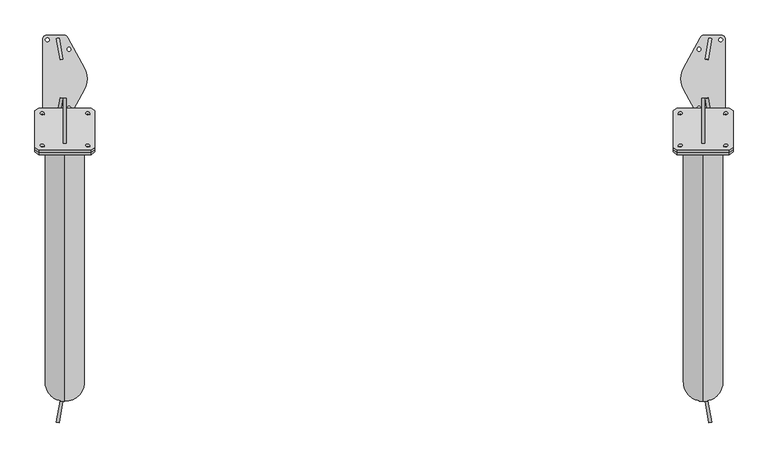
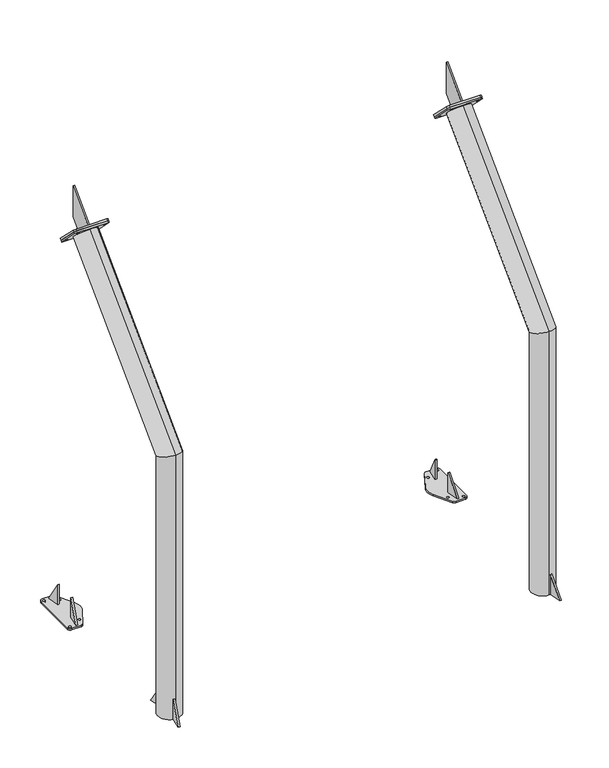
"""IFC4 building model written with IfcOpenShell, lengths in millimetres: proxy geometry."""

from ifc_helpers import new_model, si_unit, point, frame, frame_2d, origin, origin_with_axes, place, context, project, spatial, polyline, circle_curve, ellipse_curve, trimmed, segment, composite_curve, outline, extrude, source, transform, mapped, element, save
from ifc_brep_helpers import plane_surface, cylinder_surface, revolved_surface, advanced_brep


def generic_models_83a23b2b(model_context):
    return source(origin(), model_context, "Body", "SolidModel", [
        extrude(outline(composite_curve([segment(polyline([(2669.9864553, 182.5), (2738.0, 182.5)]), True, "CONTINUOUS"), segment(trimmed(circle_curve(frame_2d((2738.0, 162.5)), 20.0), [point((2738.0, 182.5))], [point((2758.0, 162.5))], False, "CARTESIAN"), True, "CONTINUOUS"), segment(polyline([(2758.0, 162.5), (2758.0, -162.5)]), True, "CONTINUOUS"), segment(trimmed(circle_curve(frame_2d((2738.0, -162.5)), 20.0), [point((2758.0, -162.5))], [point((2738.0, -182.5))], False, "CARTESIAN"), True, "CONTINUOUS"), segment(polyline([(2738.0, -182.5), (2669.9347584, -182.5)]), True, "CONTINUOUS"), segment(trimmed(circle_curve(frame_2d((2669.9347584, -162.5)), 20.0), [point((2669.9347584, -182.5))], [point((2652.3436055, -172.0158468))], False, "CARTESIAN"), True, "CONTINUOUS"), segment(polyline([(2652.3436055, -172.0158468), (2584.6472441, -46.8712248)]), True, "CONTINUOUS"), segment(trimmed(circle_curve(frame_2d((2665.0, -0.0477839)), 93.0), [point((2584.6472441, -46.8712248))], [point((2584.6472441, 46.775657))], False, "CARTESIAN"), True, "CONTINUOUS"), segment(polyline([(2584.6472441, 46.775657), (2652.3953024, 172.0158468)]), True, "CONTINUOUS"), segment(trimmed(circle_curve(frame_2d((2669.9864553, 162.5)), 20.0), [point((2652.3953024, 172.0158468))], [point((2669.9864553, 182.5))], False, "CARTESIAN"), True, "CONTINUOUS")], self_intersect=False), holes=[composite_curve([segment(trimmed(circle_curve(frame_2d((2738.0, 162.5)), 8.0), [point((2730.0, 162.5))], [point((2746.0, 162.5))], True, "CARTESIAN"), True, "CONTINUOUS"), segment(trimmed(circle_curve(frame_2d((2738.0, 162.5)), 8.0), [point((2746.0, 162.5))], [point((2730.0, 162.5))], True, "CARTESIAN"), True, "CONTINUOUS")], self_intersect=False), composite_curve([segment(trimmed(circle_curve(frame_2d((2738.0, -162.5)), 8.0), [point((2730.0, -162.5))], [point((2746.0, -162.5))], True, "CARTESIAN"), True, "CONTINUOUS"), segment(trimmed(circle_curve(frame_2d((2738.0, -162.5)), 8.0), [point((2746.0, -162.5))], [point((2730.0, -162.5))], True, "CARTESIAN"), True, "CONTINUOUS")], self_intersect=False), composite_curve([segment(trimmed(circle_curve(frame_2d((2648.0, 123.0)), 8.0), [point((2640.0, 123.0))], [point((2656.0, 123.0))], True, "CARTESIAN"), True, "CONTINUOUS"), segment(trimmed(circle_curve(frame_2d((2648.0, 123.0)), 8.0), [point((2656.0, 123.0))], [point((2640.0, 123.0))], True, "CARTESIAN"), True, "CONTINUOUS")], self_intersect=False), composite_curve([segment(trimmed(circle_curve(frame_2d((2648.0, -123.0)), 8.0), [point((2640.0, -123.0))], [point((2656.0, -123.0))], True, "CARTESIAN"), True, "CONTINUOUS"), segment(trimmed(circle_curve(frame_2d((2648.0, -123.0)), 8.0), [point((2656.0, -123.0))], [point((2640.0, -123.0))], True, "CARTESIAN"), True, "CONTINUOUS")], self_intersect=False)]), origin_with_axes(), (0.0, 0.0, 1.0), 12.0),
        extrude(outline(composite_curve([segment(trimmed(circle_curve(frame_2d((-4.9864553, 162.5)), 20.0), [point((-4.9864553, 182.5))], [point((12.6046976, 172.0158468))], False, "CARTESIAN"), True, "CONTINUOUS"), segment(polyline([(12.6046976, 172.0158468), (80.3527559, 46.775657)]), True, "CONTINUOUS"), segment(trimmed(circle_curve(frame_2d((0.0, -0.0477839)), 93.0), [point((80.3527559, 46.775657))], [point((80.3527559, -46.8712248))], False, "CARTESIAN"), True, "CONTINUOUS"), segment(polyline([(80.3527559, -46.8712248), (12.6563945, -172.0158468)]), True, "CONTINUOUS"), segment(trimmed(circle_curve(frame_2d((-4.9347584, -162.5)), 20.0), [point((12.6563945, -172.0158468))], [point((-4.9347584, -182.5))], False, "CARTESIAN"), True, "CONTINUOUS"), segment(polyline([(-4.9347584, -182.5), (-73.0, -182.5)]), True, "CONTINUOUS"), segment(trimmed(circle_curve(frame_2d((-73.0, -162.5)), 20.0), [point((-73.0, -182.5))], [point((-93.0, -162.5))], False, "CARTESIAN"), True, "CONTINUOUS"), segment(polyline([(-93.0, -162.5), (-93.0, 162.5)]), True, "CONTINUOUS"), segment(trimmed(circle_curve(frame_2d((-73.0, 162.5)), 20.0), [point((-93.0, 162.5))], [point((-73.0, 182.5))], False, "CARTESIAN"), True, "CONTINUOUS"), segment(polyline([(-73.0, 182.5), (-4.9864553, 182.5)]), True, "CONTINUOUS")], self_intersect=False), holes=[composite_curve([segment(trimmed(circle_curve(frame_2d((17.0, 123.0)), 8.0), [point((9.0, 123.0))], [point((25.0, 123.0))], True, "CARTESIAN"), True, "CONTINUOUS"), segment(trimmed(circle_curve(frame_2d((17.0, 123.0)), 8.0), [point((25.0, 123.0))], [point((9.0, 123.0))], True, "CARTESIAN"), True, "CONTINUOUS")], self_intersect=False), composite_curve([segment(trimmed(circle_curve(frame_2d((17.0, -123.0)), 8.0), [point((9.0, -123.0))], [point((25.0, -123.0))], True, "CARTESIAN"), True, "CONTINUOUS"), segment(trimmed(circle_curve(frame_2d((17.0, -123.0)), 8.0), [point((25.0, -123.0))], [point((9.0, -123.0))], True, "CARTESIAN"), True, "CONTINUOUS")], self_intersect=False), composite_curve([segment(trimmed(circle_curve(frame_2d((-73.0, -162.5)), 8.0), [point((-81.0, -162.5))], [point((-65.0, -162.5))], True, "CARTESIAN"), True, "CONTINUOUS"), segment(trimmed(circle_curve(frame_2d((-73.0, -162.5)), 8.0), [point((-65.0, -162.5))], [point((-81.0, -162.5))], True, "CARTESIAN"), True, "CONTINUOUS")], self_intersect=False), composite_curve([segment(trimmed(circle_curve(frame_2d((-73.0, 162.5)), 8.0), [point((-81.0, 162.5))], [point((-65.0, 162.5))], True, "CARTESIAN"), True, "CONTINUOUS"), segment(trimmed(circle_curve(frame_2d((-73.0, 162.5)), 8.0), [point((-65.0, 162.5))], [point((-81.0, 162.5))], True, "CARTESIAN"), True, "CONTINUOUS")], self_intersect=False)]), origin_with_axes(), (0.0, 0.0, 1.0), 12.0),
        advanced_brep(
        [(2673.4197559, 82.0692251, 162.0), (2685.236419, 79.9796058, 162.0), (2685.2910421, 80.2893885, 162.0), (2673.473349, 82.3731666, 162.0), (2700.9193781, 168.9220863, 12.0), (2685.236419, 79.9796058, 12.0), (2673.4197559, 82.0692251, 12.0), (2689.101685, 171.0058644, 12.0)],
        [
            (0, 1, circle_curve(frame((2665.0, 0.0, 162.0), z_axis=(0.0, 0.0, -1.0), x_axis=(-1.0, 0.0, 0.0)), 82.5)),
            (1, 2),
            (2, 3),
            (3, 0),
            (4, 5),
            (5, 6, circle_curve(frame((2665.0, 0.0, 12.0), z_axis=(0.0, 0.0, 1.0), x_axis=(-1.0, 0.0, 0.0)), 82.5)),
            (6, 7),
            (7, 4),
            (6, 0),
            (3, 7),
            (5, 1),
            (4, 2),
        ],
        [
            plane_surface(frame((2700.9193781, 168.9220863, 162.0), z_axis=(0.0, 0.0, 1.0000000000000002), x_axis=(-0.9848077530122133, 0.17364817766690058, 0.0))),
            plane_surface(frame((2700.9193781, 168.9220863, 12.0), z_axis=(0.0, 0.0, -1.0000000000000002), x_axis=(0.9848077530122133, -0.17364817766690058, 0.0))),
            plane_surface(frame((2689.101685, 171.0058644, 162.0), z_axis=(-0.9848077530122075, 0.1736481776669342, 0.0), x_axis=(0.0, 0.0, -1.0))),
            revolved_surface(polyline([(2582.5, 0.0, 12.0), (2582.5, 0.0, 162.0)]), (2665.0, 0.0, 12.0), (0.0, 0.0, -1.0)),
            plane_surface(frame((2685.236419, 79.9796058, 162.0), z_axis=(0.9848077530122071, -0.17364817766693583, 0.0), x_axis=(0.0, 0.0, -1.0))),
            plane_surface(frame((2689.101685, 171.0058644, 12.0), z_axis=(0.14890208391224347, 0.8444656813948381, 0.5144957554275285), x_axis=(0.9848077530122133, -0.17364817766690058, 0.0))),
        ],
        [
            (0, [[1, 2, 3, 4]]),
            (1, [[5, 6, 7, 8]]),
            (2, [[-7, 9, -4, 10]]),
            (3, [[-1, -9, -6, 11]]),
            (4, [[-5, 12, -2, -11]]),
            (5, [[-3, -12, -8, -10]]),
        ],
    ),
        advanced_brep(
        [(2685.236419, -79.9796058, 162.0), (2673.4197559, -82.0692251, 162.0), (2673.473349, -82.3731666, 162.0), (2685.2910421, -80.2893885, 162.0), (2673.4197559, -82.0692251, 12.0), (2685.236419, -79.9796058, 12.0), (2700.9193781, -168.9220863, 12.0), (2689.101685, -171.0058644, 12.0)],
        [
            (0, 1, circle_curve(frame((2665.0, 0.0, 162.0), z_axis=(0.0, 0.0, -1.0), x_axis=(-1.0, 0.0, 0.0)), 82.5)),
            (1, 2),
            (2, 3),
            (3, 0),
            (4, 5, circle_curve(frame((2665.0, 0.0, 12.0), z_axis=(0.0, 0.0, 1.0), x_axis=(-1.0, 0.0, 0.0)), 82.5)),
            (5, 6),
            (6, 7),
            (7, 4),
            (7, 2),
            (1, 4),
            (5, 0),
            (3, 6),
        ],
        [
            plane_surface(frame((2700.9193781, 168.9220863, 162.0), z_axis=(0.0, 0.0, 1.0000000000000002), x_axis=(-0.9848077530122133, 0.17364817766690058, 0.0))),
            plane_surface(frame((2700.9193781, 168.9220863, 12.0), z_axis=(0.0, 0.0, -1.0000000000000002), x_axis=(0.9848077530122133, -0.17364817766690058, 0.0))),
            plane_surface(frame((2673.4197559, -82.0692251, 162.0), z_axis=(-0.9848077530122078, -0.17364817766693205, 0.0), x_axis=(0.0, 0.0, -1.0))),
            plane_surface(frame((2700.9193781, -168.9220863, 162.0), z_axis=(0.9848077530122088, 0.1736481776669261, 0.0), x_axis=(0.0, 0.0, -1.0))),
            revolved_surface(polyline([(2582.5, 0.0, 12.0), (2582.5, 0.0, 162.0)]), (2665.0, 0.0, 12.0), (0.0, 0.0, -1.0)),
            plane_surface(frame((2700.9193781, -168.9220863, 12.0), z_axis=(0.1489020839123185, -0.8444656813948247, 0.5144957554275288), x_axis=(-0.9848077530121979, -0.1736481776669881, 0.0))),
        ],
        [
            (0, [[1, 2, 3, 4]]),
            (1, [[5, 6, 7, 8]]),
            (2, [[-8, 9, -2, 10]]),
            (3, [[-6, 11, -4, 12]]),
            (4, [[-1, -11, -5, -10]]),
            (5, [[-3, -9, -7, -12]]),
        ],
    ),
        extrude(outline(polyline([(-1593.0072814, 0.0), (-1503.0072813, 0.0), (-1503.0072813, -150.0), (-1593.0072814, 0.0)])), frame((252.5773473, 1397.8846948, 12.0), z_axis=(-0.9848077530122081, 0.1736481776669302, 0.0), x_axis=(0.1736481776669302, 0.9848077530122081, 0.0)), (0.0, 0.0, 1.0), 12.0),
        extrude(outline(polyline([(-5508.8576415, 0.0), (-5358.8576415, 0.0), (-5508.8576415, -89.9999999), (-5508.8576415, 0.0)])), frame((-20.2348212, 80.2047506, 5520.8576415), z_axis=(0.9848077530122084, 0.17364817766692878, 0.0), x_axis=(0.0, 0.0, 1.0)), (0.0, 0.0, 1.0), 12.0),
        advanced_brep(
        [(2685.2348212, -1345.2047506, 162.0), (2685.1968841, -1344.9895985, 162.0), (2679.3259747, -1346.2466396, 162.0), (2673.379191, -1347.0733767, 162.0), (2673.4171281, -1347.2885287, 162.0), (2689.0454641, -1435.9212265, 12.0), (2673.379191, -1347.0733767, 12.0), (2685.1968841, -1344.9895985, 12.0), (2700.8631572, -1433.8374483, 12.0)],
        [
            (0, 1),
            (1, 2, circle_curve(frame((2665.0, -1265.0, 162.0), z_axis=(0.0, 0.0, -1.0), x_axis=(-1.0, 0.0, 0.0)), 82.5)),
            (2, 0),
            (2, 3, circle_curve(frame((2665.0, -1265.0, 162.0), z_axis=(0.0, 0.0, -1.0), x_axis=(-1.0, 0.0, 0.0)), 82.5)),
            (3, 4),
            (4, 2),
            (5, 6),
            (6, 7, circle_curve(frame((2665.0, -1265.0, 12.0), z_axis=(0.0, 0.0, 1.0), x_axis=(-1.0, 0.0, 0.0)), 82.5)),
            (7, 8),
            (8, 5),
            (7, 1),
            (0, 8),
            (6, 3),
            (5, 4),
        ],
        [
            plane_surface(frame((2700.8631572, -1433.8374483, 162.0), z_axis=(0.0, 0.0, 1.0), x_axis=(0.9848077530121979, 0.1736481776669881, 0.0))),
            plane_surface(frame((2700.8631572, -1433.8374483, 12.0), z_axis=(0.0, 0.0, -1.0), x_axis=(-0.9848077530121979, -0.1736481776669881, 0.0))),
            plane_surface(frame((2700.8631572, -1433.8374483, 162.0), z_axis=(0.9848077530122079, 0.17364817766693155, 0.0), x_axis=(0.0, 0.0, -1.0))),
            revolved_surface(polyline([(2582.5, -1265.0, 12.0), (2582.5, -1265.0, 162.0)]), (2665.0, -1265.0, 12.0), (0.0, 0.0, -1.0)),
            plane_surface(frame((2673.379191, -1347.0733767, 162.0), z_axis=(-0.9848077530122061, -0.17364817766694113, 0.0), x_axis=(0.0, 0.0, -1.0))),
            plane_surface(frame((2700.8631572, -1433.8374483, 12.0), z_axis=(0.14890208391231888, -0.844465681394827, 0.5144957554275248), x_axis=(-0.9848077530121979, -0.1736481776669881, 0.0))),
        ],
        [
            (0, [[1, 2, 3]]),
            (0, [[4, 5, 6]]),
            (1, [[7, 8, 9, 10]]),
            (2, [[-9, 11, -1, 12]]),
            (3, [[-8, 13, -4, -2, -11]]),
            (4, [[-7, 14, -5, -13]]),
            (5, [[-3, -6, -14, -10, -12]]),
        ],
    ),
        advanced_brep(
        [(2673.4171281, -1182.7114713, 162.0), (2673.379191, -1182.9266233, 162.0), (2679.3259747, -1183.7533604, 162.0), (2685.1968841, -1185.0104015, 162.0), (2685.2348212, -1184.7952494, 162.0), (2700.8631572, -1096.1625517, 12.0), (2685.1968841, -1185.0104015, 12.0), (2673.379191, -1182.9266233, 12.0), (2689.0454641, -1094.0787735, 12.0)],
        [
            (0, 1),
            (1, 2, circle_curve(frame((2665.0, -1265.0, 162.0), z_axis=(0.0, 0.0, -1.0), x_axis=(-1.0, 0.0, 0.0)), 82.5)),
            (2, 0),
            (2, 3, circle_curve(frame((2665.0, -1265.0, 162.0), z_axis=(0.0, 0.0, -1.0), x_axis=(-1.0, 0.0, 0.0)), 82.5)),
            (3, 4),
            (4, 2),
            (5, 6),
            (6, 7, circle_curve(frame((2665.0, -1265.0, 12.0), z_axis=(0.0, 0.0, 1.0), x_axis=(-1.0, 0.0, 0.0)), 82.5)),
            (7, 8),
            (8, 5),
            (7, 1),
            (0, 8),
            (6, 3),
            (5, 4),
        ],
        [
            plane_surface(frame((2700.8631572, -1433.8374483, 162.0), z_axis=(0.0, 0.0, 1.0), x_axis=(0.9848077530121979, 0.1736481776669881, 0.0))),
            plane_surface(frame((2700.8631572, -1433.8374483, 12.0), z_axis=(0.0, 0.0, -1.0), x_axis=(-0.9848077530121979, -0.1736481776669881, 0.0))),
            plane_surface(frame((2689.0454641, -1094.0787735, 162.0), z_axis=(-0.9848077530122081, 0.17364817766693025, 0.0), x_axis=(0.0, 0.0, -1.0))),
            revolved_surface(polyline([(2582.5, -1265.0, 12.0), (2582.5, -1265.0, 162.0)]), (2665.0, -1265.0, 12.0), (0.0, 0.0, -1.0)),
            plane_surface(frame((2685.1968841, -1185.0104015, 162.0), z_axis=(0.9848077530122081, -0.17364817766693053, 0.0), x_axis=(0.0, 0.0, -1.0))),
            plane_surface(frame((2689.0454641, -1094.0787735, 12.0), z_axis=(0.148902083912245, 0.8444656813948382, 0.5144957554275277), x_axis=(0.9848077530122133, -0.17364817766690058, 0.0))),
        ],
        [
            (0, [[1, 2, 3]]),
            (0, [[4, 5, 6]]),
            (1, [[7, 8, 9, 10]]),
            (2, [[-9, 11, -1, 12]]),
            (3, [[-8, 13, -4, -2, -11]]),
            (4, [[-7, 14, -5, -13]]),
            (5, [[-3, -6, -14, -10, -12]]),
        ],
    ),
        extrude(outline(polyline([(0.0, 0.0), (174.9285569, 0.0), (128.6239389, -77.1743633), (0.0, 0.0)])), frame((-8.4117265, -1347.2578947, 162.0), z_axis=(-0.9848077530122081, 0.17364817766693008, 0.0), x_axis=(-0.08934125034736111, -0.5066794088369043, -0.8574929257125422)), (0.0, 0.0, 1.0), 12.0),
        extrude(outline(polyline([(2137.4993379, 0.0), (1987.4993379, -90.0), (1987.4993379, 0.0), (2137.4993379, 0.0)])), frame((-20.2402228, -1184.7646155, -1975.4993379), z_axis=(0.9848077530122081, 0.17364817766693005, 0.0), x_axis=(0.0, 0.0, 1.0)), (0.0, 0.0, 1.0), 12.0),
        extrude(outline(polyline([(-269.883297, 3077.616703), (-82.5, 3265.0), (-82.5, 3031.6547622), (-153.2106781, 2960.9440841), (-269.883297, 3077.616703)])), frame((2659.0, 0.0, 0.0), z_axis=(1.0, 0.0, 0.0), x_axis=(0.0, 1.0, 0.0)), (0.0, 0.0, 1.0), 12.0),
        advanced_brep(
        [(110.0, -299.9353352, 3107.6687412), (125.0, -289.3287335, 3097.0621395), (125.0, -133.7652416, 2941.4986476), (110.0, -123.1586399, 2930.8920459), (-110.0, -123.1586399, 2930.8920459), (-125.0, -133.7652416, 2941.4986476), (-125.0, -289.3287335, 3097.0621395), (-110.0, -299.9353352, 3107.6687412), (-103.0, -278.7221318, 3086.4555378), (-87.0, -278.7221318, 3086.4555378), (103.0, -278.7221318, 3086.4555378), (87.0, -278.7221318, 3086.4555378), (-87.0, -144.3718434, 2952.1052493), (-103.0, -144.3718434, 2952.1052493), (87.0, -144.3718434, 2952.1052493), (103.0, -144.3718434, 2952.1052493), (6.0, -153.2106781, 2960.9440841), (6.0, -269.883297, 3077.616703), (-6.0, -269.883297, 3077.616703), (-6.0, -153.2106781, 2960.9440841), (110.0, -308.4206166, 3099.1834598), (-110.0, -308.4206166, 3099.1834598), (-125.0, -297.8140149, 3088.5768581), (-125.0, -142.250523, 2933.0133662), (-110.0, -131.6439213, 2922.4067645), (110.0, -131.6439213, 2922.4067645), (125.0, -142.250523, 2933.0133662), (125.0, -297.8140149, 3088.5768581), (-103.0, -287.2074132, 3077.9702564), (-87.0, -287.2074132, 3077.9702564), (103.0, -287.2074132, 3077.9702564), (87.0, -287.2074132, 3077.9702564), (-87.0, -152.8571247, 2943.619968), (-103.0, -152.8571247, 2943.619968), (87.0, -152.8571247, 2943.619968), (103.0, -152.8571247, 2943.619968), (6.0, -82.5, 3031.6547622), (6.0, -82.5, 3265.0), (-6.0, -82.5, 3265.0), (-6.0, -82.5, 3031.6547622)],
        [
            (0, 1),
            (1, 2),
            (2, 3),
            (3, 4),
            (4, 5),
            (5, 6),
            (6, 7),
            (7, 0),
            (8, 9, circle_curve(frame((-95.0, -278.7221318, 3086.4555378), z_axis=(0.0, -0.7071067811865461, -0.7071067811865489), x_axis=(1.0, 0.0, 0.0)), 8.0)),
            (9, 8, circle_curve(frame((-95.0, -278.7221318, 3086.4555378), z_axis=(0.0, -0.7071067811865461, -0.7071067811865489), x_axis=(1.0, 0.0, 0.0)), 8.0)),
            (10, 11, circle_curve(frame((95.0, -278.7221318, 3086.4555378), z_axis=(0.0, -0.7071067811865461, -0.7071067811865489), x_axis=(1.0, 0.0, 0.0)), 8.0)),
            (11, 10, circle_curve(frame((95.0, -278.7221318, 3086.4555378), z_axis=(0.0, -0.7071067811865461, -0.7071067811865489), x_axis=(1.0, 0.0, 0.0)), 8.0)),
            (12, 13, circle_curve(frame((-95.0, -144.3718434, 2952.1052493), z_axis=(0.0, -0.7071067811865461, -0.7071067811865489), x_axis=(1.0, 0.0, 0.0)), 8.0)),
            (13, 12, circle_curve(frame((-95.0, -144.3718434, 2952.1052493), z_axis=(0.0, -0.7071067811865461, -0.7071067811865489), x_axis=(1.0, 0.0, 0.0)), 8.0)),
            (14, 15, circle_curve(frame((95.0, -144.3718434, 2952.1052493), z_axis=(0.0, -0.7071067811865461, -0.7071067811865489), x_axis=(1.0, 0.0, 0.0)), 8.0)),
            (15, 14, circle_curve(frame((95.0, -144.3718434, 2952.1052493), z_axis=(0.0, -0.7071067811865461, -0.7071067811865489), x_axis=(1.0, 0.0, 0.0)), 8.0)),
            (16, 17),
            (17, 18),
            (18, 19),
            (19, 16),
            (20, 21),
            (21, 22),
            (22, 23),
            (23, 24),
            (24, 25),
            (25, 26),
            (26, 27),
            (27, 20),
            (28, 29, circle_curve(frame((-95.0, -287.2074132, 3077.9702564), z_axis=(0.0, 0.7071067811865461, 0.7071067811865489), x_axis=(1.0, 0.0, 0.0)), 8.0)),
            (29, 28, circle_curve(frame((-95.0, -287.2074132, 3077.9702564), z_axis=(0.0, 0.7071067811865461, 0.7071067811865489), x_axis=(1.0, 0.0, 0.0)), 8.0)),
            (30, 31, circle_curve(frame((95.0, -287.2074132, 3077.9702564), z_axis=(0.0, 0.7071067811865461, 0.7071067811865489), x_axis=(1.0, 0.0, 0.0)), 8.0)),
            (31, 30, circle_curve(frame((95.0, -287.2074132, 3077.9702564), z_axis=(0.0, 0.7071067811865461, 0.7071067811865489), x_axis=(1.0, 0.0, 0.0)), 8.0)),
            (32, 33, circle_curve(frame((-95.0, -152.8571247, 2943.619968), z_axis=(0.0, 0.7071067811865461, 0.7071067811865489), x_axis=(1.0, 0.0, 0.0)), 8.0)),
            (33, 32, circle_curve(frame((-95.0, -152.8571247, 2943.619968), z_axis=(0.0, 0.7071067811865461, 0.7071067811865489), x_axis=(1.0, 0.0, 0.0)), 8.0)),
            (34, 35, circle_curve(frame((95.0, -152.8571247, 2943.619968), z_axis=(0.0, 0.7071067811865461, 0.7071067811865489), x_axis=(1.0, 0.0, 0.0)), 8.0)),
            (35, 34, circle_curve(frame((95.0, -152.8571247, 2943.619968), z_axis=(0.0, 0.7071067811865461, 0.7071067811865489), x_axis=(1.0, 0.0, 0.0)), 8.0)),
            (0, 20),
            (27, 1),
            (26, 2),
            (25, 3),
            (24, 4),
            (23, 5),
            (22, 6),
            (21, 7),
            (8, 28),
            (29, 9),
            (10, 30),
            (31, 11),
            (12, 32),
            (33, 13),
            (14, 34),
            (35, 15),
            (16, 36),
            (36, 37),
            (37, 17),
            (18, 38),
            (38, 39),
            (39, 19),
            (39, 36),
            (38, 37),
        ],
        [
            plane_surface(frame((110.0, -299.9353352, 3107.6687412), z_axis=(0.0, 0.7071067811865464, 0.707106781186549), x_axis=(0.707106781186538, 0.5000000000000078, -0.5000000000000059))),
            plane_surface(frame((110.0, -308.4206166, 3099.1834598), z_axis=(0.0, -0.7071067811865464, -0.707106781186549), x_axis=(-0.707106781186538, -0.5000000000000078, 0.5000000000000059))),
            plane_surface(frame((110.0, -299.9353352, 3107.6687412), z_axis=(0.7071067811865572, -0.49999999999999434, 0.4999999999999923), x_axis=(0.0, -0.7071067811865461, -0.707106781186549))),
            plane_surface(frame((125.0, -289.3287335, 3097.0621395), z_axis=(1.0, 0.0, 0.0), x_axis=(0.0, -0.7071067811865461, -0.707106781186549))),
            plane_surface(frame((125.0, -133.7652416, 2941.4986476), z_axis=(0.7071067811865404, 0.5000000000000067, -0.5000000000000038), x_axis=(0.0, -0.7071067811865476, -0.7071067811865476))),
            plane_surface(frame((110.0, -123.1586399, 2930.8920459), z_axis=(0.0, 0.707106781186549, -0.7071067811865461), x_axis=(0.0, -0.7071067811865461, -0.707106781186549))),
            plane_surface(frame((-110.0, -123.1586399, 2930.8920459), z_axis=(-0.7071067811865546, 0.49999999999999606, -0.499999999999994), x_axis=(0.0, -0.7071067811865461, -0.707106781186549))),
            plane_surface(frame((-125.0, -133.7652416, 2941.4986476), z_axis=(-1.0, 0.0, 0.0), x_axis=(0.0, -0.7071067811865461, -0.707106781186549))),
            plane_surface(frame((-125.0, -289.3287335, 3097.0621395), z_axis=(-0.7071067811865474, -0.5000000000000012, 0.4999999999999992), x_axis=(0.0, -0.7071067811865461, -0.707106781186549))),
            plane_surface(frame((-110.0, -299.9353352, 3107.6687412), z_axis=(0.0, -0.7071067811865476, 0.7071067811865476), x_axis=(0.0, -0.7071067811865476, -0.7071067811865476))),
            revolved_surface(polyline([(-87.0, -287.2074132, 3077.9702564), (-87.0, -278.7221318, 3086.4555378)]), (-95.0, -287.2074132, 3077.9702564), (0.0, -0.7071067811865461, -0.7071067811865489)),
            revolved_surface(polyline([(103.0, -287.2074132, 3077.9702564), (103.0, -278.7221318, 3086.4555378)]), (95.0, -287.2074132, 3077.9702564), (0.0, -0.7071067811865461, -0.7071067811865489)),
            revolved_surface(polyline([(-87.0, -152.8571247, 2943.619968), (-87.0, -144.3718433999999, 2952.1052493)]), (-95.0, -152.8571247, 2943.619968), (0.0, -0.7071067811865461, -0.7071067811865489)),
            revolved_surface(polyline([(103.0, -152.8571247, 2943.619968), (103.0, -144.3718433999999, 2952.1052493)]), (95.0, -152.8571247, 2943.619968), (0.0, -0.7071067811865461, -0.7071067811865489)),
            plane_surface(frame((6.0, -123.1586399, 2930.8920459), z_axis=(1.0, 0.0, 0.0), x_axis=(0.0, 0.7071067811865493, -0.7071067811865457))),
            plane_surface(frame((-6.0, -123.1586399, 2930.8920459), z_axis=(-1.0, 0.0, 0.0), x_axis=(0.0, -0.7071067811865493, 0.7071067811865457))),
            plane_surface(frame((6.0, -153.2106781, 2960.9440841), z_axis=(0.0, 0.7071067811865489, -0.7071067811865462), x_axis=(-1.0, 0.0, 0.0))),
            plane_surface(frame((6.0, -82.5, 3031.6547622), z_axis=(0.0, 1.0, 0.0), x_axis=(-1.0, 0.0, 0.0))),
            plane_surface(frame((6.0, -82.5, 3265.0), z_axis=(0.0, -0.7071067811865469, 0.7071067811865482), x_axis=(-1.0, 0.0, 0.0))),
        ],
        [
            (0, [[1, 2, 3, 4, 5, 6, 7, 8], [9, 10], [11, 12], [13, 14], [15, 16], [17, 18, 19, 20]]),
            (1, [[21, 22, 23, 24, 25, 26, 27, 28], [29, 30], [31, 32], [33, 34], [35, 36]]),
            (2, [[-1, 37, -28, 38]]),
            (3, [[-2, -38, -27, 39]]),
            (4, [[-3, -39, -26, 40]]),
            (5, [[-4, -40, -25, 41]]),
            (6, [[-5, -41, -24, 42]]),
            (7, [[-6, -42, -23, 43]]),
            (8, [[-7, -43, -22, 44]]),
            (9, [[-8, -44, -21, -37]]),
            (10, [[-9, 45, -30, 46]]),
            (10, [[-10, -46, -29, -45]]),
            (11, [[-11, 47, -32, 48]]),
            (11, [[-12, -48, -31, -47]]),
            (12, [[-13, 49, -34, 50]]),
            (12, [[-14, -50, -33, -49]]),
            (13, [[-15, 51, -36, 52]]),
            (13, [[-16, -52, -35, -51]]),
            (14, [[53, 54, 55, -17]]),
            (15, [[56, 57, 58, -19]]),
            (16, [[-53, -20, -58, 59]]),
            (17, [[-54, -59, -57, 60]]),
            (18, [[-55, -60, -56, -18]]),
        ],
    ),
        extrude(outline(polyline([(0.0, 0.0), (155.5634919, -155.5634919), (155.5634919, -176.7766953), (0.0, -332.3401872), (-21.2132034, -332.3401872), (-176.7766953, -176.7766953), (-176.7766953, -155.5634919), (-21.2132034, 0.0), (0.0, 0.0)]), holes=[composite_curve([segment(trimmed(circle_curve(frame_2d((123.7436867, -166.1700935)), 8.0), [point((118.0868325, -160.5132393))], [point((129.400541, -171.8269478))], True, "CARTESIAN"), True, "CONTINUOUS"), segment(trimmed(circle_curve(frame_2d((123.7436867, -166.1700935)), 8.0), [point((129.400541, -171.8269478))], [point((118.0868325, -160.5132393))], True, "CARTESIAN"), True, "CONTINUOUS")], self_intersect=False), composite_curve([segment(trimmed(circle_curve(frame_2d((-10.6066017, -300.520382)), 8.0), [point((-4.9497475, -306.1772362))], [point((-16.263456, -294.8635277))], True, "CARTESIAN"), True, "CONTINUOUS"), segment(trimmed(circle_curve(frame_2d((-10.6066017, -300.520382)), 8.0), [point((-16.263456, -294.8635277))], [point((-4.9497475, -306.1772362))], True, "CARTESIAN"), True, "CONTINUOUS")], self_intersect=False), composite_curve([segment(trimmed(circle_curve(frame_2d((-144.9568901, -166.1700936)), 8.0), [point((-139.3000359, -171.8269478))], [point((-150.6137444, -160.5132393))], True, "CARTESIAN"), True, "CONTINUOUS"), segment(trimmed(circle_curve(frame_2d((-144.9568901, -166.1700936)), 8.0), [point((-150.6137444, -160.5132393))], [point((-139.3000359, -171.8269478))], True, "CARTESIAN"), True, "CONTINUOUS")], self_intersect=False), composite_curve([segment(trimmed(circle_curve(frame_2d((-10.6066017, -31.8198051)), 8.0), [point((-4.9497474, -37.4766594))], [point((-16.2634559, -26.1629509))], True, "CARTESIAN"), True, "CONTINUOUS"), segment(trimmed(circle_curve(frame_2d((-10.6066017, -31.8198051)), 8.0), [point((-16.2634559, -26.1629509))], [point((-4.9497474, -37.4766594))], True, "CARTESIAN"), True, "CONTINUOUS")], self_intersect=False)]), frame((2775.0, -308.4206166, 3099.1834598), z_axis=(0.0, 0.7071067811865439, 0.7071067811865512), x_axis=(-0.7071067811865128, -0.5000000000000266, 0.5000000000000226)), (0.0, 0.0, 1.0), 12.0),
        advanced_brep(
        [(2665.0, -1182.5, 12.0), (2665.0, -1347.5, 12.0), (2665.0, -1186.5, 12.0), (2665.0, -1343.5, 12.0), (2665.0, -1182.5, 1931.6547622), (2665.0, -1347.5, 2000.0), (2665.0, -1186.5, 1933.3116165), (2665.0, -1343.5, 1998.3431458), (2665.0, -170.1812409, 2943.9735213), (2665.0, -286.8538598, 3060.6461402), (2665.0, -173.009668, 2946.8019485), (2665.0, -284.0254326, 3057.8177131), (2540.0, -297.8140149, 3088.5768581), (2555.0, -308.4206166, 3099.1834598), (2775.0, -308.4206166, 3099.1834598), (2790.0, -297.8140149, 3088.5768581), (2790.0, -142.250523, 2933.0133662), (2775.0, -131.6439213, 2922.4067645), (2555.0, -131.6439213, 2922.4067645), (2540.0, -142.250523, 2933.0133662), (2562.0, -287.2074132, 3077.9702564), (2578.0, -287.2074132, 3077.9702564), (2752.0, -287.2074132, 3077.9702564), (2768.0, -287.2074132, 3077.9702564), (2752.0, -152.8571247, 2943.619968), (2768.0, -152.8571247, 2943.619968), (2562.0, -152.8571247, 2943.619968), (2578.0, -152.8571247, 2943.619968), (2540.0, -306.2992962, 3080.0915767), (2540.0, -150.7358044, 2924.5280849), (2555.0, -140.1292027, 2913.9214831), (2775.0, -140.1292027, 2913.9214831), (2790.0, -150.7358044, 2924.5280849), (2790.0, -306.2992962, 3080.0915767), (2775.0, -316.905898, 3090.6981784), (2555.0, -316.905898, 3090.6981784), (2562.0, -295.6926945, 3069.484975), (2578.0, -295.6926945, 3069.484975), (2752.0, -295.6926945, 3069.484975), (2768.0, -295.6926945, 3069.484975), (2752.0, -161.3424061, 2935.1346866), (2768.0, -161.3424061, 2935.1346866), (2562.0, -161.3424061, 2935.1346866), (2578.0, -161.3424061, 2935.1346866)],
        [
            (0, 1, circle_curve(frame((2665.0, -1265.0, 12.0), z_axis=(0.0, 0.0, -1.0), x_axis=(0.0, -1.0, 0.0)), 82.5)),
            (1, 0, circle_curve(frame((2665.0, -1265.0, 12.0), z_axis=(0.0, 0.0, -1.0), x_axis=(0.0, -1.0, 0.0)), 82.5)),
            (2, 3, circle_curve(frame((2665.0, -1265.0, 12.0), z_axis=(0.0, 0.0, 1.0), x_axis=(0.0, -1.0, 0.0)), 78.5)),
            (3, 2, circle_curve(frame((2665.0, -1265.0, 12.0), z_axis=(0.0, 0.0, 1.0), x_axis=(0.0, -1.0, 0.0)), 78.5)),
            (0, 4),
            (4, 5, ellipse_curve(frame((2665.0, -1265.0, 1965.8273811), z_axis=(0.0, -0.38268343236508745, -0.9238795325112877), x_axis=(0.0, 0.9238795325112877, -0.38268343236508723)), 89.2973565, 82.5)),
            (5, 1),
            (5, 4, ellipse_curve(frame((2665.0, -1265.0, 1965.8273811), z_axis=(0.0, -0.38268343236508745, -0.9238795325112877), x_axis=(0.0, 0.9238795325112877, -0.38268343236508723)), 89.2973565, 82.5)),
            (2, 6),
            (6, 7, ellipse_curve(frame((2665.0, -1265.0, 1965.8273811), z_axis=(0.0, 0.38268343236508745, 0.9238795325112877), x_axis=(0.0, -0.9238795325112877, 0.38268343236508723)), 84.9677877, 78.5)),
            (7, 3),
            (7, 6, ellipse_curve(frame((2665.0, -1265.0, 1965.8273811), z_axis=(0.0, 0.38268343236508745, 0.9238795325112877), x_axis=(0.0, -0.9238795325112877, 0.38268343236508723)), 84.9677877, 78.5)),
            (4, 8),
            (8, 9, circle_curve(frame((2665.0, -228.5175503, 3002.3098308), z_axis=(0.0, -0.7071067811865439, -0.7071067811865511), x_axis=(0.0, -0.7071067811865511, 0.7071067811865439)), 82.5)),
            (9, 5),
            (9, 8, circle_curve(frame((2665.0, -228.5175503, 3002.3098308), z_axis=(0.0, -0.7071067811865439, -0.7071067811865511), x_axis=(0.0, -0.7071067811865511, 0.7071067811865439)), 82.5)),
            (6, 10),
            (10, 11, circle_curve(frame((2665.0, -228.5175503, 3002.3098308), z_axis=(0.0, 0.7071067811865439, 0.7071067811865511), x_axis=(0.0, -0.7071067811865511, 0.7071067811865439)), 78.5)),
            (11, 7),
            (11, 10, circle_curve(frame((2665.0, -228.5175503, 3002.3098308), z_axis=(0.0, 0.7071067811865439, 0.7071067811865511), x_axis=(0.0, -0.7071067811865511, 0.7071067811865439)), 78.5)),
            (12, 13),
            (13, 14),
            (14, 15),
            (15, 16),
            (16, 17),
            (17, 18),
            (18, 19),
            (19, 12),
            (20, 21, circle_curve(frame((2570.0, -287.2074132, 3077.9702564), z_axis=(0.0, -0.7071067811865439, -0.7071067811865511), x_axis=(1.0, 0.0, 0.0)), 8.0)),
            (21, 20, circle_curve(frame((2570.0, -287.2074132, 3077.9702564), z_axis=(0.0, -0.7071067811865439, -0.7071067811865511), x_axis=(1.0, 0.0, 0.0)), 8.0)),
            (22, 23, circle_curve(frame((2760.0, -287.2074132, 3077.9702564), z_axis=(0.0, -0.7071067811865439, -0.7071067811865511), x_axis=(1.0, 0.0, 0.0)), 8.0)),
            (23, 22, circle_curve(frame((2760.0, -287.2074132, 3077.9702564), z_axis=(0.0, -0.7071067811865439, -0.7071067811865511), x_axis=(1.0, 0.0, 0.0)), 8.0)),
            (24, 25, circle_curve(frame((2760.0, -152.8571247, 2943.619968), z_axis=(0.0, -0.7071067811865439, -0.7071067811865511), x_axis=(1.0, 0.0, 0.0)), 8.0)),
            (25, 24, circle_curve(frame((2760.0, -152.8571247, 2943.619968), z_axis=(0.0, -0.7071067811865439, -0.7071067811865511), x_axis=(1.0, 0.0, 0.0)), 8.0)),
            (26, 27, circle_curve(frame((2570.0, -152.8571247, 2943.619968), z_axis=(0.0, -0.7071067811865439, -0.7071067811865511), x_axis=(1.0, 0.0, 0.0)), 8.0)),
            (27, 26, circle_curve(frame((2570.0, -152.8571247, 2943.619968), z_axis=(0.0, -0.7071067811865439, -0.7071067811865511), x_axis=(1.0, 0.0, 0.0)), 8.0)),
            (28, 29),
            (29, 30),
            (30, 31),
            (31, 32),
            (32, 33),
            (33, 34),
            (34, 35),
            (35, 28),
            (36, 37, circle_curve(frame((2570.0, -295.6926945, 3069.484975), z_axis=(0.0, 0.7071067811865439, 0.7071067811865511), x_axis=(1.0, 0.0, 0.0)), 8.0)),
            (37, 36, circle_curve(frame((2570.0, -295.6926945, 3069.484975), z_axis=(0.0, 0.7071067811865439, 0.7071067811865511), x_axis=(1.0, 0.0, 0.0)), 8.0)),
            (38, 39, circle_curve(frame((2760.0, -295.6926945, 3069.484975), z_axis=(0.0, 0.7071067811865439, 0.7071067811865511), x_axis=(1.0, 0.0, 0.0)), 8.0)),
            (39, 38, circle_curve(frame((2760.0, -295.6926945, 3069.484975), z_axis=(0.0, 0.7071067811865439, 0.7071067811865511), x_axis=(1.0, 0.0, 0.0)), 8.0)),
            (40, 41, circle_curve(frame((2760.0, -161.3424061, 2935.1346866), z_axis=(0.0, 0.7071067811865439, 0.7071067811865511), x_axis=(1.0, 0.0, 0.0)), 8.0)),
            (41, 40, circle_curve(frame((2760.0, -161.3424061, 2935.1346866), z_axis=(0.0, 0.7071067811865439, 0.7071067811865511), x_axis=(1.0, 0.0, 0.0)), 8.0)),
            (42, 43, circle_curve(frame((2570.0, -161.3424061, 2935.1346866), z_axis=(0.0, 0.7071067811865439, 0.7071067811865511), x_axis=(1.0, 0.0, 0.0)), 8.0)),
            (43, 42, circle_curve(frame((2570.0, -161.3424061, 2935.1346866), z_axis=(0.0, 0.7071067811865439, 0.7071067811865511), x_axis=(1.0, 0.0, 0.0)), 8.0)),
            (12, 28),
            (35, 13),
            (34, 14),
            (33, 15),
            (32, 16),
            (31, 17),
            (30, 18),
            (29, 19),
            (20, 36),
            (37, 21),
            (22, 38),
            (39, 23),
            (24, 40),
            (41, 25),
            (26, 42),
            (43, 27),
        ],
        [
            plane_surface(frame((2665.0, -1265.0, 12.0), z_axis=(0.0, 0.0, -1.0), x_axis=(1.0, 0.0, 0.0))),
            cylinder_surface(frame((2665.0, -1265.0, 12.0), z_axis=(0.0, 0.0, -1.0), x_axis=(0.0, -1.0, 0.0)), 82.5),
            revolved_surface(polyline([(2665.0, -1343.5, 1998.3431458), (2665.0, -1343.5, 12.0)]), (2665.0, -1265.0, 12.0), (0.0, 0.0, 1.0)),
            cylinder_surface(frame((2665.0, -1265.0, 1965.8273811), z_axis=(0.0, -0.7071067811865439, -0.7071067811865511), x_axis=(0.0, -0.7071067811865511, 0.7071067811865439)), 82.5),
            revolved_surface(polyline([(2665.0, -284.0254326231491, 3057.8177131231496), (2665.0, -1343.499999993789, 1998.3431457524987)]), (2665.0, -1265.0, 1965.8273811), (0.0, 0.7071067811865439, 0.7071067811865511)),
            plane_surface(frame((2540.0, -297.8140149, 3088.5768581), z_axis=(0.0, 0.7071067811865439, 0.7071067811865511), x_axis=(0.707106781186536, -0.5000000000000112, 0.5000000000000051))),
            plane_surface(frame((2540.0, -306.2992962, 3080.0915767), z_axis=(0.0, -0.7071067811865439, -0.7071067811865511), x_axis=(-0.707106781186536, 0.5000000000000112, -0.5000000000000051))),
            plane_surface(frame((2540.0, -297.8140149, 3088.5768581), z_axis=(-0.707106781186559, -0.4999999999999939, 0.49999999999998984), x_axis=(0.0, -0.7071067811865447, -0.7071067811865503))),
            plane_surface(frame((2555.0, -308.4206166, 3099.1834598), z_axis=(0.0, -0.7071067811865503, 0.7071067811865447), x_axis=(0.0, -0.7071067811865447, -0.7071067811865503))),
            plane_surface(frame((2775.0, -308.4206166, 3099.1834598), z_axis=(0.7071067811865579, -0.4999999999999947, 0.49999999999999073), x_axis=(0.0, -0.7071067811865447, -0.7071067811865503))),
            plane_surface(frame((2790.0, -297.8140149, 3088.5768581), z_axis=(1.0, 0.0, 0.0), x_axis=(0.0, -0.7071067811865447, -0.7071067811865503))),
            plane_surface(frame((2790.0, -142.250523, 2933.0133662), z_axis=(0.7071067811865535, 0.4999999999999978, -0.4999999999999938), x_axis=(0.0, -0.7071067811865447, -0.7071067811865503))),
            plane_surface(frame((2775.0, -131.6439213, 2922.4067645), z_axis=(0.0, 0.7071067811865503, -0.7071067811865447), x_axis=(0.0, -0.7071067811865447, -0.7071067811865503))),
            plane_surface(frame((2555.0, -131.6439213, 2922.4067645), z_axis=(-0.7071067811865439, 0.5000000000000047, -0.5000000000000007), x_axis=(0.0, -0.7071067811865447, -0.7071067811865503))),
            plane_surface(frame((2540.0, -142.250523, 2933.0133662), z_axis=(-1.0, 0.0, 0.0), x_axis=(0.0, -0.7071067811865434, -0.7071067811865518))),
            revolved_surface(polyline([(2578.0, -295.6926945, 3069.484975), (2578.0, -287.20741315000004, 3077.97025635)]), (2570.0, -295.6926945, 3069.484975), (0.0, -0.7071067811865439, -0.7071067811865511)),
            revolved_surface(polyline([(2768.0, -295.6926945, 3069.484975), (2768.0, -287.20741315000004, 3077.97025635)]), (2760.0, -295.6926945, 3069.484975), (0.0, -0.7071067811865439, -0.7071067811865511)),
            revolved_surface(polyline([(2768.0, -161.3424061, 2935.1346866), (2768.0, -152.8571247, 2943.619968)]), (2760.0, -161.3424061, 2935.1346866), (0.0, -0.7071067811865439, -0.7071067811865511)),
            revolved_surface(polyline([(2578.0, -161.3424061, 2935.1346866), (2578.0, -152.8571247, 2943.619968)]), (2570.0, -161.3424061, 2935.1346866), (0.0, -0.7071067811865439, -0.7071067811865511)),
        ],
        [
            (0, [[1, 2], [3, 4]]),
            (1, [[-1, 5, 6, 7]]),
            (1, [[-2, -7, 8, -5]]),
            (2, [[-3, 9, 10, 11]]),
            (2, [[-4, -11, 12, -9]]),
            (3, [[-6, 13, 14, 15]]),
            (3, [[-8, -15, 16, -13]]),
            (4, [[-10, 17, 18, 19]]),
            (4, [[-12, -19, 20, -17]]),
            (5, [[21, 22, 23, 24, 25, 26, 27, 28], [29, 30], [31, 32], [33, 34], [35, 36]]),
            (6, [[-18, -20]]),
            (6, [[37, 38, 39, 40, 41, 42, 43, 44], [-14, -16], [45, 46], [47, 48], [49, 50], [51, 52]]),
            (7, [[-21, 53, -44, 54]]),
            (8, [[-22, -54, -43, 55]]),
            (9, [[-23, -55, -42, 56]]),
            (10, [[-24, -56, -41, 57]]),
            (11, [[-25, -57, -40, 58]]),
            (12, [[-26, -58, -39, 59]]),
            (13, [[-27, -59, -38, 60]]),
            (14, [[-28, -60, -37, -53]]),
            (15, [[-29, 61, -46, 62]]),
            (15, [[-30, -62, -45, -61]]),
            (16, [[-31, 63, -48, 64]]),
            (16, [[-32, -64, -47, -63]]),
            (17, [[-33, 65, -50, 66]]),
            (17, [[-34, -66, -49, -65]]),
            (18, [[-35, 67, -52, 68]]),
            (18, [[-36, -68, -51, -67]]),
        ],
    ),
        advanced_brep(
        [(0.0, -1182.5, 12.0), (0.0, -1347.5, 12.0), (0.0, -1186.5, 12.0), (0.0, -1343.5, 12.0), (0.0, -1182.5, 1931.6547622), (0.0, -1347.5, 2000.0), (0.0, -1186.5, 1933.3116165), (0.0, -1343.5, 1998.3431458), (0.0, -170.1812409, 2943.9735213), (0.0, -286.8538598, 3060.6461402), (0.0, -173.009668, 2946.8019485), (0.0, -284.0254326, 3057.8177131), (110.0, -308.4206166, 3099.1834598), (125.0, -297.8140149, 3088.5768581), (125.0, -142.250523, 2933.0133662), (110.0, -131.6439213, 2922.4067645), (-110.0, -131.6439213, 2922.4067645), (-125.0, -142.250523, 2933.0133662), (-125.0, -297.8140149, 3088.5768581), (-110.0, -308.4206166, 3099.1834598), (-103.0, -287.2074132, 3077.9702564), (-87.0, -287.2074132, 3077.9702564), (87.0, -287.2074132, 3077.9702564), (103.0, -287.2074132, 3077.9702564), (87.0, -152.8571247, 2943.619968), (103.0, -152.8571247, 2943.619968), (-103.0, -152.8571247, 2943.619968), (-87.0, -152.8571247, 2943.619968), (110.0, -316.905898, 3090.6981784), (-110.0, -316.905898, 3090.6981784), (-125.0, -306.2992962, 3080.0915767), (-125.0, -150.7358044, 2924.5280849), (-110.0, -140.1292027, 2913.9214831), (110.0, -140.1292027, 2913.9214831), (125.0, -150.7358044, 2924.5280849), (125.0, -306.2992962, 3080.0915767), (-103.0, -295.6926945, 3069.484975), (-87.0, -295.6926945, 3069.484975), (87.0, -295.6926945, 3069.484975), (103.0, -295.6926945, 3069.484975), (87.0, -161.3424061, 2935.1346866), (103.0, -161.3424061, 2935.1346866), (-103.0, -161.3424061, 2935.1346866), (-87.0, -161.3424061, 2935.1346866)],
        [
            (0, 1, circle_curve(frame((0.0, -1265.0, 12.0), z_axis=(0.0, 0.0, -1.0), x_axis=(0.0, -1.0, 0.0)), 82.5)),
            (1, 0, circle_curve(frame((0.0, -1265.0, 12.0), z_axis=(0.0, 0.0, -1.0), x_axis=(0.0, -1.0, 0.0)), 82.5)),
            (2, 3, circle_curve(frame((0.0, -1265.0, 12.0), z_axis=(0.0, 0.0, 1.0), x_axis=(0.0, -1.0, 0.0)), 78.5)),
            (3, 2, circle_curve(frame((0.0, -1265.0, 12.0), z_axis=(0.0, 0.0, 1.0), x_axis=(0.0, -1.0, 0.0)), 78.5)),
            (0, 4),
            (4, 5, ellipse_curve(frame((0.0, -1265.0, 1965.8273811), z_axis=(0.0, -0.3826834323650888, -0.9238795325112871), x_axis=(0.0, 0.9238795325112871, -0.3826834323650891)), 89.2973565, 82.5)),
            (5, 1),
            (5, 4, ellipse_curve(frame((0.0, -1265.0, 1965.8273811), z_axis=(0.0, -0.3826834323650888, -0.9238795325112871), x_axis=(0.0, 0.9238795325112871, -0.3826834323650891)), 89.2973565, 82.5)),
            (2, 6),
            (6, 7, ellipse_curve(frame((0.0, -1265.0, 1965.8273811), z_axis=(0.0, 0.3826834323650888, 0.9238795325112871), x_axis=(0.0, -0.9238795325112871, 0.3826834323650891)), 84.9677877, 78.5)),
            (7, 3),
            (7, 6, ellipse_curve(frame((0.0, -1265.0, 1965.8273811), z_axis=(0.0, 0.3826834323650888, 0.9238795325112871), x_axis=(0.0, -0.9238795325112871, 0.3826834323650891)), 84.9677877, 78.5)),
            (4, 8),
            (8, 9, circle_curve(frame((0.0, -228.5175503, 3002.3098308), z_axis=(0.0, -0.7071067811865461, -0.707106781186549), x_axis=(0.0, -0.707106781186549, 0.7071067811865461)), 82.5)),
            (9, 5),
            (9, 8, circle_curve(frame((0.0, -228.5175503, 3002.3098308), z_axis=(0.0, -0.7071067811865461, -0.707106781186549), x_axis=(0.0, -0.707106781186549, 0.7071067811865461)), 82.5)),
            (6, 10),
            (10, 11, circle_curve(frame((0.0, -228.5175503, 3002.3098308), z_axis=(0.0, 0.7071067811865461, 0.707106781186549), x_axis=(0.0, -0.707106781186549, 0.7071067811865461)), 78.5)),
            (11, 7),
            (11, 10, circle_curve(frame((0.0, -228.5175503, 3002.3098308), z_axis=(0.0, 0.7071067811865461, 0.707106781186549), x_axis=(0.0, -0.707106781186549, 0.7071067811865461)), 78.5)),
            (12, 13),
            (13, 14),
            (14, 15),
            (15, 16),
            (16, 17),
            (17, 18),
            (18, 19),
            (19, 12),
            (20, 21, circle_curve(frame((-95.0, -287.2074132, 3077.9702564), z_axis=(0.0, -0.7071067811865461, -0.7071067811865489), x_axis=(1.0, 0.0, 0.0)), 8.0)),
            (21, 20, circle_curve(frame((-95.0, -287.2074132, 3077.9702564), z_axis=(0.0, -0.7071067811865461, -0.7071067811865489), x_axis=(1.0, 0.0, 0.0)), 8.0)),
            (22, 23, circle_curve(frame((95.0, -287.2074132, 3077.9702564), z_axis=(0.0, -0.7071067811865461, -0.7071067811865489), x_axis=(1.0, 0.0, 0.0)), 8.0)),
            (23, 22, circle_curve(frame((95.0, -287.2074132, 3077.9702564), z_axis=(0.0, -0.7071067811865461, -0.7071067811865489), x_axis=(1.0, 0.0, 0.0)), 8.0)),
            (24, 25, circle_curve(frame((95.0, -152.8571247, 2943.619968), z_axis=(0.0, -0.7071067811865461, -0.7071067811865489), x_axis=(1.0, 0.0, 0.0)), 8.0)),
            (25, 24, circle_curve(frame((95.0, -152.8571247, 2943.619968), z_axis=(0.0, -0.7071067811865461, -0.7071067811865489), x_axis=(1.0, 0.0, 0.0)), 8.0)),
            (26, 27, circle_curve(frame((-95.0, -152.8571247, 2943.619968), z_axis=(0.0, -0.7071067811865461, -0.7071067811865489), x_axis=(1.0, 0.0, 0.0)), 8.0)),
            (27, 26, circle_curve(frame((-95.0, -152.8571247, 2943.619968), z_axis=(0.0, -0.7071067811865461, -0.7071067811865489), x_axis=(1.0, 0.0, 0.0)), 8.0)),
            (28, 29),
            (29, 30),
            (30, 31),
            (31, 32),
            (32, 33),
            (33, 34),
            (34, 35),
            (35, 28),
            (36, 37, circle_curve(frame((-95.0, -295.6926945, 3069.484975), z_axis=(0.0, 0.7071067811865461, 0.7071067811865489), x_axis=(1.0, 0.0, 0.0)), 8.0)),
            (37, 36, circle_curve(frame((-95.0, -295.6926945, 3069.484975), z_axis=(0.0, 0.7071067811865461, 0.7071067811865489), x_axis=(1.0, 0.0, 0.0)), 8.0)),
            (38, 39, circle_curve(frame((95.0, -295.6926945, 3069.484975), z_axis=(0.0, 0.7071067811865461, 0.7071067811865489), x_axis=(1.0, 0.0, 0.0)), 8.0)),
            (39, 38, circle_curve(frame((95.0, -295.6926945, 3069.484975), z_axis=(0.0, 0.7071067811865461, 0.7071067811865489), x_axis=(1.0, 0.0, 0.0)), 8.0)),
            (40, 41, circle_curve(frame((95.0, -161.3424061, 2935.1346866), z_axis=(0.0, 0.7071067811865461, 0.7071067811865489), x_axis=(1.0, 0.0, 0.0)), 8.0)),
            (41, 40, circle_curve(frame((95.0, -161.3424061, 2935.1346866), z_axis=(0.0, 0.7071067811865461, 0.7071067811865489), x_axis=(1.0, 0.0, 0.0)), 8.0)),
            (42, 43, circle_curve(frame((-95.0, -161.3424061, 2935.1346866), z_axis=(0.0, 0.7071067811865461, 0.7071067811865489), x_axis=(1.0, 0.0, 0.0)), 8.0)),
            (43, 42, circle_curve(frame((-95.0, -161.3424061, 2935.1346866), z_axis=(0.0, 0.7071067811865461, 0.7071067811865489), x_axis=(1.0, 0.0, 0.0)), 8.0)),
            (12, 28),
            (35, 13),
            (34, 14),
            (33, 15),
            (32, 16),
            (31, 17),
            (30, 18),
            (29, 19),
            (20, 36),
            (37, 21),
            (22, 38),
            (39, 23),
            (24, 40),
            (41, 25),
            (26, 42),
            (43, 27),
        ],
        [
            plane_surface(frame((0.0, -1265.0, 12.0), z_axis=(0.0, 0.0, -1.0), x_axis=(1.0, 0.0, 0.0))),
            cylinder_surface(frame((0.0, -1265.0, 12.0), z_axis=(0.0, 0.0, -1.0), x_axis=(0.0, -1.0, 0.0)), 82.5),
            revolved_surface(polyline([(0.0, -1343.5, 1998.3431458), (0.0, -1343.5, 12.0)]), (0.0, -1265.0, 12.0), (0.0, 0.0, 1.0)),
            cylinder_surface(frame((0.0, -1265.0, 1965.8273811), z_axis=(0.0, -0.7071067811865461, -0.707106781186549), x_axis=(0.0, -0.707106781186549, 0.7071067811865461)), 82.5),
            revolved_surface(polyline([(0.0, -284.02543262314566, 3057.817713123146), (0.0, -1343.4999999937888, 1998.3431457524987)]), (0.0, -1265.0, 1965.8273811), (0.0, 0.7071067811865461, 0.707106781186549)),
            plane_surface(frame((110.0, -308.4206166, 3099.1834598), z_axis=(0.0, 0.7071067811865461, 0.707106781186549), x_axis=(0.7071067811865398, 0.5000000000000064, -0.5000000000000044))),
            plane_surface(frame((110.0, -316.905898, 3090.6981784), z_axis=(0.0, -0.7071067811865461, -0.707106781186549), x_axis=(-0.7071067811865398, -0.5000000000000064, 0.5000000000000044))),
            plane_surface(frame((110.0, -308.4206166, 3099.1834598), z_axis=(0.7071067811865553, -0.4999999999999966, 0.4999999999999926), x_axis=(0.0, -0.7071067811865447, -0.7071067811865503))),
            plane_surface(frame((125.0, -297.8140149, 3088.5768581), z_axis=(1.0, 0.0, 0.0), x_axis=(0.0, -0.7071067811865447, -0.7071067811865503))),
            plane_surface(frame((125.0, -142.250523, 2933.0133662), z_axis=(0.7071067811865483, 0.5000000000000014, -0.4999999999999974), x_axis=(0.0, -0.7071067811865447, -0.7071067811865503))),
            plane_surface(frame((110.0, -131.6439213, 2922.4067645), z_axis=(0.0, 0.7071067811865503, -0.7071067811865447), x_axis=(0.0, -0.7071067811865447, -0.7071067811865503))),
            plane_surface(frame((-110.0, -131.6439213, 2922.4067645), z_axis=(-0.7071067811865535, 0.4999999999999978, -0.4999999999999938), x_axis=(0.0, -0.7071067811865447, -0.7071067811865503))),
            plane_surface(frame((-125.0, -142.250523, 2933.0133662), z_axis=(-1.0, 0.0, 0.0), x_axis=(0.0, -0.7071067811865447, -0.7071067811865503))),
            plane_surface(frame((-125.0, -297.8140149, 3088.5768581), z_axis=(-0.7071067811865526, -0.4999999999999985, 0.4999999999999945), x_axis=(0.0, -0.7071067811865447, -0.7071067811865503))),
            plane_surface(frame((-110.0, -308.4206166, 3099.1834598), z_axis=(0.0, -0.7071067811865503, 0.7071067811865447), x_axis=(0.0, -0.7071067811865447, -0.7071067811865503))),
            revolved_surface(polyline([(-87.0, -295.6926945, 3069.484975), (-87.0, -287.20741315, 3077.97025635)]), (-95.0, -295.6926945, 3069.484975), (0.0, -0.7071067811865461, -0.7071067811865489)),
            revolved_surface(polyline([(103.0, -295.6926945, 3069.484975), (103.0, -287.20741315, 3077.97025635)]), (95.0, -295.6926945, 3069.484975), (0.0, -0.7071067811865461, -0.7071067811865489)),
            revolved_surface(polyline([(103.0, -161.3424061, 2935.1346866), (103.0, -152.85712469999999, 2943.619968)]), (95.0, -161.3424061, 2935.1346866), (0.0, -0.7071067811865461, -0.7071067811865489)),
            revolved_surface(polyline([(-87.0, -161.3424061, 2935.1346866), (-87.0, -152.85712469999999, 2943.619968)]), (-95.0, -161.3424061, 2935.1346866), (0.0, -0.7071067811865461, -0.7071067811865489)),
        ],
        [
            (0, [[1, 2], [3, 4]]),
            (1, [[-1, 5, 6, 7]]),
            (1, [[-2, -7, 8, -5]]),
            (2, [[-3, 9, 10, 11]]),
            (2, [[-4, -11, 12, -9]]),
            (3, [[-6, 13, 14, 15]]),
            (3, [[-8, -15, 16, -13]]),
            (4, [[-10, 17, 18, 19]]),
            (4, [[-12, -19, 20, -17]]),
            (5, [[21, 22, 23, 24, 25, 26, 27, 28], [29, 30], [31, 32], [33, 34], [35, 36]]),
            (6, [[-18, -20]]),
            (6, [[37, 38, 39, 40, 41, 42, 43, 44], [-14, -16], [45, 46], [47, 48], [49, 50], [51, 52]]),
            (7, [[-21, 53, -44, 54]]),
            (8, [[-22, -54, -43, 55]]),
            (9, [[-23, -55, -42, 56]]),
            (10, [[-24, -56, -41, 57]]),
            (11, [[-25, -57, -40, 58]]),
            (12, [[-26, -58, -39, 59]]),
            (13, [[-27, -59, -38, 60]]),
            (14, [[-28, -60, -37, -53]]),
            (15, [[-29, 61, -46, 62]]),
            (15, [[-30, -62, -45, -61]]),
            (16, [[-31, 63, -48, 64]]),
            (16, [[-32, -64, -47, -63]]),
            (17, [[-33, 65, -50, 66]]),
            (17, [[-34, -66, -49, -65]]),
            (18, [[-35, 67, -52, 68]]),
            (18, [[-36, -68, -51, -67]]),
        ],
    ),
    ])


if __name__ == "__main__":
    model = new_model("IFC4")
    model_context = context("Model", 3, world=origin())
    ifc_project = project(units=[si_unit("LENGTHUNIT", "METRE", prefix="MILLI")], contexts=[model_context])
    site = spatial("IfcSite", under=ifc_project)
    building = spatial("IfcBuilding", under=site)
    placement = place(None, origin())
    generic_models_shape = generic_models_83a23b2b(model_context)
    element("IfcBuildingElementProxy", 1, Name="Generic Models", at=placement, inside=building, context=model_context, shape_type="MappedRepresentation", body=[
        mapped(generic_models_shape, transform((0.0, 0.0, 0.0), x_axis=(1.0, 0.0, 0.0), y_axis=(0.0, 1.0, 0.0), z_axis=(0.0, 0.0, 1.0))),
    ])
    save(model, "model.ifc")
